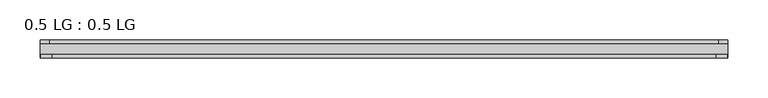
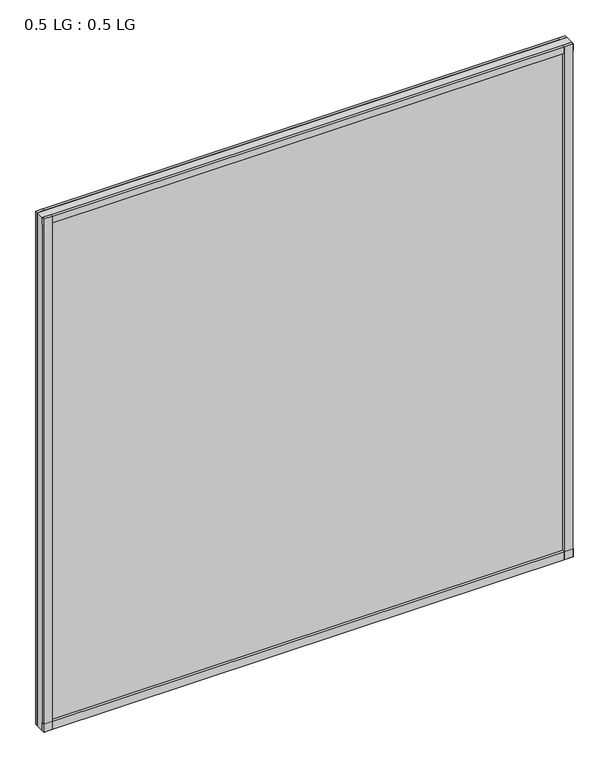
"""IFC4 building model written with IfcOpenShell, lengths in millimetres: plate geometry, 0.5 LG : 0.5 LG."""

from ifc_helpers import new_model, si_unit, frame, origin, origin_with_axes, place, context, project, spatial, polyline, outline, extrude, source, transform, mapped, element, save


def plate_0_5_lg_0_5_lg_bd726772(model_context):
    return source(origin(), model_context, "Body", "SweptSolid", [
        extrude(outline(polyline([(428.625, -4.6736), (417.1724034, -4.6736), (417.1724034, 0.0), (428.625, 0.0), (428.625, -4.6736)])), origin_with_axes(), (0.0, 0.0, 1.0), 877.651362),
        extrude(outline(polyline([(414.4056761, -18.288), (427.8093966, -18.288), (427.8093966, -22.479), (414.4056761, -22.479), (414.4056761, -18.288)])), origin_with_axes(), (0.0, 0.0, 1.0), 877.651362),
        extrude(outline(polyline([(-417.1071913, 0.0), (-417.1071913, -4.6736), (-428.625, -4.6736), (-428.625, 0.0), (-417.1071913, 0.0)])), origin_with_axes(), (0.0, 0.0, 1.0), 877.651362),
        extrude(outline(polyline([(-414.4159512, -18.288), (-414.4159512, -22.479), (-427.8093966, -22.479), (-427.8093966, -18.288), (-414.4159512, -18.288)])), origin_with_axes(), (0.0, 0.0, 1.0), 877.651362),
        extrude(outline(polyline([(428.625, 0.0), (428.625, -4.6736), (-428.625, -4.6736), (-428.625, 0.0), (428.625, 0.0)])), origin_with_axes(), (0.0, 0.0, 1.0), 11.444324),
        extrude(outline(polyline([(428.625, -18.288), (428.625, -22.479), (-428.625, -22.479), (-428.625, -18.288), (428.625, -18.288)])), origin_with_axes(), (0.0, 0.0, 1.0), 14.1703966),
        extrude(outline(polyline([(428.625, 0.0), (428.625, -4.6736), (-428.625, -4.6736), (-428.625, 0.0), (428.625, 0.0)])), frame((0.0, 0.0, 865.9862594), z_axis=(0.0, 0.0, 1.0), x_axis=(1.0, 0.0, 0.0)), (0.0, 0.0, 1.0), 11.6651026),
        extrude(outline(polyline([(428.625, -18.288), (428.625, -22.479), (-428.625, -22.479), (-428.625, -18.288), (428.625, -18.288)])), frame((0.0, 0.0, 865.9862594), z_axis=(0.0, 0.0, 1.0), x_axis=(1.0, 0.0, 0.0)), (0.0, 0.0, 1.0), 11.6651026),
        extrude(outline(polyline([(428.625, -4.6736), (428.625, -18.288), (-428.625, -18.288), (-428.625, -4.6736), (428.625, -4.6736)])), origin_with_axes(), (0.0, 0.0, 1.0), 877.651362),
    ])


if __name__ == "__main__":
    model = new_model("IFC4")
    model_context = context("Model", 3, world=origin())
    ifc_project = project(units=[si_unit("LENGTHUNIT", "METRE", prefix="MILLI")], contexts=[model_context])
    site = spatial("IfcSite", under=ifc_project)
    building = spatial("IfcBuilding", under=site)
    placement = place(None, origin())
    plate_0_5_lg_0_5_lg_shape = plate_0_5_lg_0_5_lg_bd726772(model_context)
    element("IfcPlate", 1, ObjectType="0.5 LG : 0.5 LG", at=placement, inside=building, context=model_context, shape_type="MappedRepresentation", body=[
        mapped(plate_0_5_lg_0_5_lg_shape, transform((0.0, 0.0, 0.0), x_axis=(1.0, 0.0, 0.0), y_axis=(0.0, 1.0, 0.0), z_axis=(0.0, 0.0, 1.0))),
    ])
    save(model, "model.ifc")
